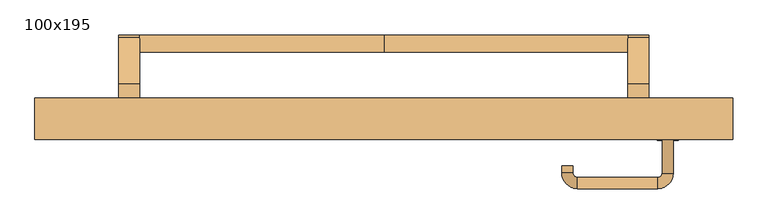
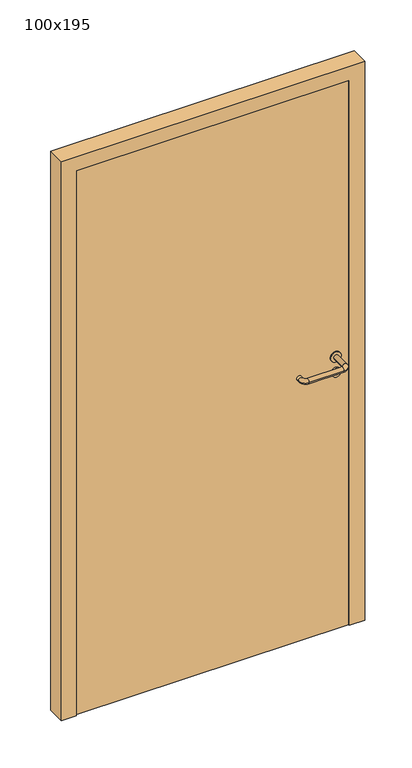
"""IFC4 building model written with IfcOpenShell, lengths in millimetres: door geometry, 100x195."""

from ifc_helpers import new_model, si_unit, point, frame, frame_2d, origin, origin_with_axes, place, context, project, spatial, polyline, circle_curve, ellipse_curve, trimmed, segment, composite_curve, outline, extrude, source, transform, mapped, element, save
from ifc_brep_helpers import plane_surface, cylinder_surface, revolved_surface, advanced_brep


def door_100x195_2bf90abd(model_context):
    return source(origin(), model_context, "Body", "SolidModel", [
        advanced_brep(
        [(-350.0, -29.5828565, 861.5304884), (-350.0, -4.5828565, 861.5304884), (0.0, -4.5828565, 861.5304884), (0.0, -29.5828565, 861.5304884), (350.0, -29.5828565, 861.5304884), (350.0, -4.5828565, 861.5304884)],
        [
            (0, 1, circle_curve(frame((-350.0, -17.0828565, 861.5304884), z_axis=(-1.0, 0.0, 0.0), x_axis=(0.0, 1.0, 0.0)), 12.5)),
            (1, 0, circle_curve(frame((-350.0, -17.0828565, 861.5304884), z_axis=(-1.0, 0.0, 0.0), x_axis=(0.0, 1.0, 0.0)), 12.5)),
            (1, 2),
            (2, 3, circle_curve(frame((0.0, -17.0828565, 861.5304884), z_axis=(-1.0, 0.0, 0.0), x_axis=(0.0, 1.0, 0.0)), 12.5)),
            (3, 0),
            (3, 2, circle_curve(frame((0.0, -17.0828565, 861.5304884), z_axis=(-1.0, 0.0, 0.0), x_axis=(0.0, 1.0, 0.0)), 12.5)),
            (4, 5, circle_curve(frame((350.0, -17.0828565, 861.5304884), z_axis=(1.0, 0.0, 0.0), x_axis=(0.0, 1.0, 0.0)), 12.5)),
            (5, 4, circle_curve(frame((350.0, -17.0828565, 861.5304884), z_axis=(1.0, 0.0, 0.0), x_axis=(0.0, 1.0, 0.0)), 12.5)),
            (4, 3),
            (2, 5),
        ],
        [
            plane_surface(frame((-350.0, -4.5828565, 861.5304884), z_axis=(-1.0, 0.0, 0.0), x_axis=(0.0, 0.0, -1.0))),
            cylinder_surface(frame((-350.0, -17.0828565, 861.5304884), z_axis=(1.0, 0.0, 0.0), x_axis=(0.0, 1.0, 0.0)), 12.5),
            plane_surface(frame((350.0, -4.5828565, 861.5304884), z_axis=(1.0, 0.0, 0.0), x_axis=(0.0, 0.0, 1.0))),
            cylinder_surface(frame((0.0, -17.0828565, 861.5304884), z_axis=(1.0, 0.0, 0.0), x_axis=(0.0, 1.0, 0.0)), 12.5),
        ],
        [
            (0, [[1, 2]]),
            (1, [[-2, 3, 4, 5]]),
            (1, [[-1, -5, 6, -3]]),
            (2, [[7, 8]]),
            (3, [[-7, 9, -4, 10]]),
            (3, [[-8, -10, -6, -9]]),
        ],
    ),
        extrude(outline(composite_curve([segment(polyline([(-75.0, 950.0), (-7.507301, 869.5653335)]), True, "CONTINUOUS"), segment(trimmed(circle_curve(frame_2d((-17.0828565, 861.5304884)), 12.5), [point((-7.507301, 869.5653335))], [point((-26.6584121, 853.4956432))], False, "CARTESIAN"), True, "CONTINUOUS"), segment(polyline([(-26.6584121, 853.4956432), (-76.4513009, 895.2768379), (-120.0, 895.2768379), (-120.0, 950.0), (-75.0, 950.0)]), True, "CONTINUOUS")], self_intersect=False)), frame((-380.0, 0.0, 0.0), z_axis=(1.0, 0.0, 0.0), x_axis=(0.0, 1.0, 0.0)), (0.0, 0.0, 1.0), 30.0),
        extrude(outline(composite_curve([segment(polyline([(-75.0, 950.0), (-7.507301, 869.5653335)]), True, "CONTINUOUS"), segment(trimmed(circle_curve(frame_2d((-17.0828565, 861.5304884)), 12.5), [point((-7.507301, 869.5653335))], [point((-26.6584121, 853.4956432))], False, "CARTESIAN"), True, "CONTINUOUS"), segment(polyline([(-26.6584121, 853.4956432), (-76.4513009, 895.2768379), (-120.0, 895.2768379), (-120.0, 950.0), (-75.0, 950.0)]), True, "CONTINUOUS")], self_intersect=False)), frame((350.0, 0.0, 0.0), z_axis=(1.0, 0.0, 0.0), x_axis=(0.0, 1.0, 0.0)), (0.0, 0.0, 1.0), 30.0),
        extrude(outline(composite_curve([segment(trimmed(circle_curve(frame_2d((0.0, 15.0)), 15.0), [point((0.0, 30.0))], [point((0.0, 0.0))], False, "CARTESIAN"), True, "CONTINUOUS"), segment(trimmed(circle_curve(frame_2d((0.0, 15.0)), 15.0), [point((0.0, 0.0))], [point((0.0, 30.0))], False, "CARTESIAN"), True, "CONTINUOUS")], self_intersect=False), holes=[composite_curve([segment(trimmed(circle_curve(frame_2d((-4.7772515, 14.9398032)), 2.0), [point((-4.7772515, 16.9398032))], [point((-4.7772515, 12.9398032))], True, "CARTESIAN"), True, "CONTINUOUS"), segment(polyline([(-4.7772515, 12.9398032), (5.2227485, 12.9398032)]), True, "CONTINUOUS"), segment(trimmed(circle_curve(frame_2d((5.2227485, 14.9398032)), 2.0), [point((5.2227485, 12.9398032))], [point((5.2227485, 16.9398032))], True, "CARTESIAN"), True, "CONTINUOUS"), segment(polyline([(5.2227485, 16.9398032), (-4.7772515, 16.9398032)]), True, "CONTINUOUS")], self_intersect=False)]), frame((392.0, -156.35, 897.3605726), z_axis=(-1.8870575173328306e-12, 1.0, 0.0), x_axis=(0.0, 0.0, 1.0)), (0.0, 0.0, 1.0), 6.35),
        extrude(outline(composite_curve([segment(trimmed(circle_curve(frame_2d((0.0, 17.526)), 17.526), [point((0.0, 35.052))], [point((0.0, 0.0))], False, "CARTESIAN"), True, "CONTINUOUS"), segment(trimmed(circle_curve(frame_2d((0.0, 17.526)), 17.526), [point((0.0, 0.0))], [point((0.0, 35.052))], False, "CARTESIAN"), True, "CONTINUOUS")], self_intersect=False)), frame((389.474, -153.175, 950.0), z_axis=(-1.8870575173328306e-12, 1.0, 0.0), x_axis=(0.0, 0.0, 1.0)), (0.0, 0.0, 1.0), 3.175),
        advanced_brep(
        [(415.0, -150.0, 950.0), (399.0, -150.0, 950.0), (399.0, -203.0, 950.0), (415.0, -203.0, 950.0), (392.8578644, -209.1421356, 950.0), (392.8578644, -225.1421356, 950.0), (277.8578644, -209.1421356, 950.0), (277.8578644, -225.1421356, 950.0), (271.008622, -202.2928932, 950.0), (255.008622, -202.2928932, 950.0), (255.008622, -192.2928932, 950.0), (271.008622, -192.2928932, 950.0)],
        [
            (0, 1, circle_curve(frame((407.0, -150.0, 950.0), z_axis=(-1.888672253512351e-12, 1.0, 0.0), x_axis=(-1.0, -1.888672253512351e-12, 0.0)), 8.0)),
            (1, 0, circle_curve(frame((407.0, -150.0, 950.0), z_axis=(-1.888672253512351e-12, 1.0, 0.0), x_axis=(-1.0, -1.888672253512351e-12, 0.0)), 8.0)),
            (1, 2),
            (2, 3, circle_curve(frame((407.0, -203.0, 950.0), z_axis=(-1.888672253512351e-12, 1.0, 0.0), x_axis=(-1.0, -1.888672253512351e-12, 0.0)), 8.0)),
            (3, 0),
            (3, 2, circle_curve(frame((407.0, -203.0, 950.0), z_axis=(-1.888672253512351e-12, 1.0, 0.0), x_axis=(-1.0, -1.888672253512351e-12, 0.0)), 8.0)),
            (4, 5, circle_curve(frame((392.8578644, -217.1421356, 950.0), z_axis=(1.0, 1.913702061528922e-12, 0.0), x_axis=(-1.913702061528922e-12, 1.0, 0.0)), 8.0)),
            (5, 3, circle_curve(frame((392.8578644, -203.0, 950.0), z_axis=(0.0, 0.0, 1.0), x_axis=(1.0, 1.880717803715015e-12, 0.0)), 22.1421356)),
            (2, 4, circle_curve(frame((392.8578644, -203.0, 950.0), z_axis=(0.0, 0.0, -1.0), x_axis=(1.0, 1.880717803715015e-12, 0.0)), 6.1421356)),
            (5, 4, circle_curve(frame((392.8578644, -217.1421356, 950.0), z_axis=(1.0, 1.913702061528922e-12, 0.0), x_axis=(-1.913702061528922e-12, 1.0, 0.0)), 8.0)),
            (4, 6),
            (6, 7, circle_curve(frame((277.8578644, -217.1421356, 950.0), z_axis=(1.0, 1.913719828541269e-12, 0.0), x_axis=(-1.913719828541269e-12, 1.0, 0.0)), 8.0)),
            (7, 5),
            (7, 6, circle_curve(frame((277.8578644, -217.1421356, 950.0), z_axis=(1.0, 1.913719828541269e-12, 0.0), x_axis=(-1.913719828541269e-12, 1.0, 0.0)), 8.0)),
            (8, 9, circle_curve(frame((263.008622, -202.2928932, 950.0), z_axis=(1.8888942981172756e-12, -1.0, 0.0), x_axis=(1.0, 1.8888942981172756e-12, 0.0)), 8.0)),
            (9, 7, circle_curve(frame((277.8578644, -202.2928932, 950.0), z_axis=(0.0, 0.0, 1.0), x_axis=(1.9120873253494017e-12, -1.0, 0.0)), 22.8492424)),
            (6, 8, circle_curve(frame((277.8578644, -202.2928932, 950.0), z_axis=(0.0, 0.0, -1.0), x_axis=(1.9120873253494017e-12, -1.0, 0.0)), 6.8492424)),
            (9, 8, circle_curve(frame((263.008622, -202.2928932, 950.0), z_axis=(1.890448610351751e-12, -1.0, 0.0), x_axis=(1.0, 1.890448610351751e-12, 0.0)), 8.0)),
            (10, 11, circle_curve(frame((263.008622, -192.2928932, 950.0), z_axis=(-1.8903642334018795e-12, 1.0, 0.0), x_axis=(1.0, 1.8903642334018795e-12, 0.0)), 8.0)),
            (11, 10, circle_curve(frame((263.008622, -192.2928932, 950.0), z_axis=(-1.8903642334018795e-12, 1.0, 0.0), x_axis=(1.0, 1.8903642334018795e-12, 0.0)), 8.0)),
            (8, 11),
            (10, 9),
        ],
        [
            plane_surface(frame((407.0, -150.0, 0.0), z_axis=(-1.8870575173328306e-12, 1.0, 0.0), x_axis=(0.0, 0.0, 1.0))),
            cylinder_surface(frame((407.0, -150.0, 950.0), z_axis=(-1.888672253512351e-12, 1.0, 0.0), x_axis=(-1.0, -1.888672253512351e-12, 0.0)), 8.0),
            revolved_surface(trimmed(ellipse_curve(frame((407.0, -203.0, 950.0), z_axis=(1.8823325398945356e-12, -1.0, 0.0), x_axis=(-1.0, -1.8823325398945356e-12, 0.0)), 8.0, 8.0), [point((415.0, -203.0, 950.0))], [point((399.0, -203.0, 950.0))], True, "CARTESIAN"), (392.8578644, -203.0, 0.0), (0.0, 0.0, 1.0)),
            revolved_surface(trimmed(ellipse_curve(frame((407.0, -203.0, 950.0), z_axis=(1.8823325398945356e-12, -1.0, 0.0), x_axis=(-1.0, -1.8823325398945356e-12, 0.0)), 8.0, 8.0), [point((399.0, -203.0, 950.0))], [point((415.0, -203.0, 950.0))], True, "CARTESIAN"), (392.8578644, -203.0, 0.0), (0.0, 0.0, 1.0)),
            cylinder_surface(frame((392.8578644, -217.1421356, 950.0), z_axis=(1.0, 1.913719828541269e-12, 0.0), x_axis=(-1.913719828541269e-12, 1.0, 0.0)), 8.0),
            revolved_surface(trimmed(ellipse_curve(frame((277.8578644, -217.1421356, 950.0), z_axis=(-1.0, -1.913702061528922e-12, 0.0), x_axis=(-1.913702061528922e-12, 1.0, 0.0)), 8.0, 8.0), [point((277.8578644, -225.1421356, 950.0))], [point((277.8578644, -209.1421356, 950.0))], True, "CARTESIAN"), (277.8578644, -202.2928932, 0.0), (0.0, 0.0, 1.0)),
            revolved_surface(trimmed(ellipse_curve(frame((277.8578644, -217.1421356, 950.0), z_axis=(-1.0, -1.913702061528922e-12, 0.0), x_axis=(-1.913702061528922e-12, 1.0, 0.0)), 8.0, 8.0), [point((277.8578644, -209.1421356, 950.0))], [point((277.8578644, -225.1421356, 950.0))], True, "CARTESIAN"), (277.8578644, -202.2928932, 0.0), (0.0, 0.0, 1.0)),
            plane_surface(frame((263.008622, -192.2928932, 0.0), z_axis=(-1.8887494972223595e-12, 1.0, 0.0), x_axis=(0.0, 0.0, 1.0))),
            cylinder_surface(frame((263.008622, -202.2928932, 950.0), z_axis=(1.8903642334018795e-12, -1.0, 0.0), x_axis=(1.0, 1.8903642334018795e-12, 0.0)), 8.0),
        ],
        [
            (0, [[1, 2]]),
            (1, [[3, 4, 5, -2]]),
            (1, [[-5, 6, -3, -1]]),
            (2, [[7, 8, -4, 9]]),
            (3, [[10, -9, -6, -8]]),
            (4, [[11, 12, 13, -7]]),
            (4, [[-13, 14, -11, -10]]),
            (5, [[15, 16, -12, 17]]),
            (6, [[18, -17, -14, -16]]),
            (7, [[19, 20]]),
            (8, [[21, -19, 22, -15]]),
            (8, [[-22, -20, -21, -18]]),
        ],
    ),
        extrude(outline(polyline([(1900.0, 450.0), (0.0, 450.0), (0.0, 500.0), (1950.0, 500.0), (1950.0, -500.0), (0.0, -500.0), (0.0, -450.0), (1900.0, -450.0), (1900.0, 450.0)])), frame((0.0, -155.0, 0.0), z_axis=(0.0, 1.0, 0.0), x_axis=(0.0, 0.0, 1.0)), (0.0, 0.0, 1.0), 60.0),
        extrude(outline(polyline([(-450.0, -150.0), (-450.0, -120.0), (450.0, -120.0), (450.0, -150.0), (-450.0, -150.0)])), origin_with_axes(), (0.0, 0.0, 1.0), 1900.0),
    ])


if __name__ == "__main__":
    model = new_model("IFC4")
    model_context = context("Model", 3, world=origin())
    ifc_project = project(units=[si_unit("LENGTHUNIT", "METRE", prefix="MILLI")], contexts=[model_context])
    site = spatial("IfcSite", under=ifc_project)
    building = spatial("IfcBuilding", under=site)
    placement = place(None, origin())
    door_100x195_shape = door_100x195_2bf90abd(model_context)
    element("IfcDoor", 1, ObjectType="100x195", at=placement, inside=building, context=model_context, shape_type="MappedRepresentation", body=[
        mapped(door_100x195_shape, transform((0.0, 0.0, 0.0), x_axis=(1.0, 0.0, 0.0), y_axis=(0.0, 1.0, 0.0), z_axis=(0.0, 0.0, 1.0))),
    ])
    save(model, "model.ifc")
